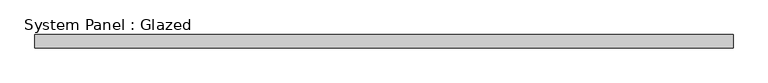
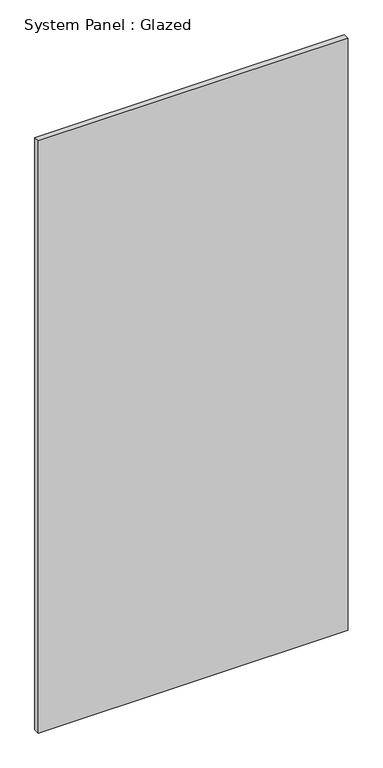
"""IFC4 building model written with IfcOpenShell, lengths in millimetres: plate geometry, System Panel : Glazed."""

from ifc_helpers import new_model, si_unit, origin, origin_with_axes, place, context, project, spatial, polyline, outline, extrude, source, transform, mapped, element, save


def system_panel_glazed_473dff94(model_context):
    return source(origin(), model_context, "Body", "SweptSolid", [
        extrude(outline(polyline([(668.25, 19.05), (-668.25, 19.05), (-668.25, 44.45), (668.25, 44.45), (668.25, 19.05)])), origin_with_axes(), (0.0, 0.0, 1.0), 2700.0),
    ])


if __name__ == "__main__":
    model = new_model("IFC4")
    model_context = context("Model", 3, world=origin())
    ifc_project = project(units=[si_unit("LENGTHUNIT", "METRE", prefix="MILLI")], contexts=[model_context])
    site = spatial("IfcSite", under=ifc_project)
    building = spatial("IfcBuilding", under=site)
    placement = place(None, origin())
    system_panel_glazed_shape = system_panel_glazed_473dff94(model_context)
    element("IfcPlate", 1, ObjectType="System Panel : Glazed", at=placement, inside=building, context=model_context, shape_type="MappedRepresentation", body=[
        mapped(system_panel_glazed_shape, transform((0.0, 0.0, 0.0), x_axis=(1.0, 0.0, 0.0), y_axis=(0.0, 1.0, 0.0), z_axis=(0.0, 0.0, 1.0))),
    ])
    save(model, "model.ifc")
